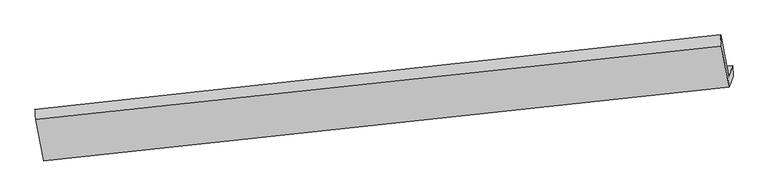
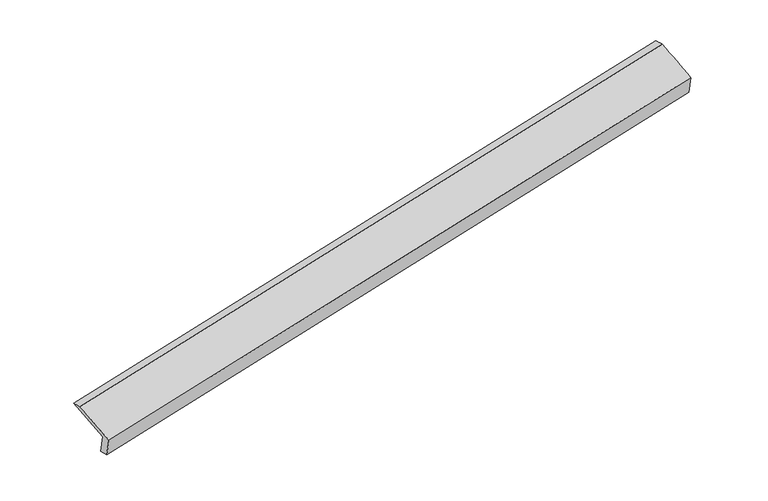
"""IFC4 building model written with IfcOpenShell, lengths in millimetres: proxy geometry."""

import ifcopenshell
import ifcopenshell.guid

model = None  # the IFC model being written
_history = None  # IfcOwnerHistory: only IFC2X3 demands one
_inside = {}  # id of a spatial element -> (the spatial element, [elements in it])
_under = {}  # id of a project, library or spatial element -> (it, [spatial elements below it])
_declared = {}  # id of a project -> (the project, [libraries it declares])
_typed = {}  # id of a type object -> (the type object, [elements of that type])
_made_of = {}  # id of a material, layer set ... -> (it, [elements and type objects made of it])


def new_model(schema):
    """Start an empty IFC model of exactly this schema.

    Asked for "IFC4X3", IfcOpenShell would pick the latest addendum, in which some entities
    have other attributes; the version numbers below select the first issue.
    IFC2X3 requires an IfcOwnerHistory on every rooted entity: one is made here for all.
    """
    global model, _history
    if schema == "IFC4X3":
        model = ifcopenshell.file(schema_version=(4, 3, 0, 0))
    else:
        model = ifcopenshell.file(schema=schema)
    _inside.clear()
    _under.clear()
    _declared.clear()
    _typed.clear()
    _made_of.clear()
    _history = None
    if model.schema == "IFC2X3":
        org = make("IfcOrganization", Name="unknown")
        user = make(
            "IfcPersonAndOrganization",
            ThePerson=make("IfcPerson", FamilyName="unknown"),
            TheOrganization=org,
        )
        app = make(
            "IfcApplication",
            ApplicationDeveloper=org,
            Version="unknown",
            ApplicationFullName="unknown",
            ApplicationIdentifier="unknown",
        )
        _history = make(
            "IfcOwnerHistory",
            OwningUser=user,
            OwningApplication=app,
            ChangeAction="ADDED",
            CreationDate=0,
        )
    return model


def make(cls, **values):
    """One entity of the class cls with the attributes given. An attribute that is None is left unset."""
    return model.create_entity(
        cls, **{name: value for name, value in values.items() if value is not None}
    )


def rooted(cls, **values):
    """An entity with a GlobalId (a new one), such as an element, a storey or a relation."""
    return make(cls, GlobalId=ifcopenshell.guid.new(), OwnerHistory=_history, **values)


def si_unit(unit_type, name, prefix=None):
    """IfcSIUnit, for example si_unit("LENGTHUNIT", "METRE", prefix="MILLI")."""
    return make("IfcSIUnit", UnitType=unit_type, Prefix=prefix, Name=name)


def assignment(units):
    """IfcUnitAssignment: the units of a project."""
    return None if units is None else make("IfcUnitAssignment", Units=units)


def point(xyz):
    """IfcCartesianPoint."""
    return None if xyz is None else make("IfcCartesianPoint", Coordinates=xyz)


def direction(xyz):
    """IfcDirection."""
    return None if xyz is None else make("IfcDirection", DirectionRatios=xyz)


def frame(location, z_axis=None, x_axis=None):
    """IfcAxis2Placement3D, a coordinate frame: its origin and axes. An axis left out is left unset."""
    return make(
        "IfcAxis2Placement3D",
        Location=point(location),
        Axis=direction(z_axis),
        RefDirection=direction(x_axis),
    )


def origin():
    """The frame at (0, 0, 0) with its axes left unset."""
    return frame((0.0, 0.0, 0.0))


def place(relative_to, where):
    """IfcLocalPlacement: puts the frame where relative to a parent placement (None: the world)."""
    return make(
        "IfcLocalPlacement", PlacementRelTo=relative_to, RelativePlacement=where
    )


def context(
    kind, dimensions, precision=None, world=None, true_north=None, identifier=None
):
    """IfcGeometricRepresentationContext, for example the 3D "Model" context."""
    return make(
        "IfcGeometricRepresentationContext",
        ContextIdentifier=identifier,
        ContextType=kind,
        CoordinateSpaceDimension=dimensions,
        Precision=precision,
        WorldCoordinateSystem=world,
        TrueNorth=true_north,
    )


def project(units=None, contexts=None):
    """IfcProject with its units and contexts."""
    return rooted(
        "IfcProject",
        Name="project",
        RepresentationContexts=contexts,
        UnitsInContext=assignment(units),
    )


def spatial(cls, under=None, at=None, **own):
    """A site, building, storey or space (cls), placed at a placement, below another one or the project."""
    s = rooted(cls, ObjectPlacement=at, **own)
    if under is not None:
        _under.setdefault(under.id(), (under, []))[1].append(s)
    return s


def shape(context_of_items, identifier, shape_type, items):
    """IfcShapeRepresentation: the items that make up one representation, for example the "Body"."""
    return make(
        "IfcShapeRepresentation",
        ContextOfItems=context_of_items,
        RepresentationIdentifier=identifier,
        RepresentationType=shape_type,
        Items=items,
    )


def source(mapping_origin, context_of_items, identifier, shape_type, items):
    """IfcRepresentationMap: a shape defined once, which mapped items show again and again."""
    return make(
        "IfcRepresentationMap",
        MappingOrigin=mapping_origin,
        MappedRepresentation=shape(context_of_items, identifier, shape_type, items),
    )


def transform(
    local_origin,
    x_axis=None,
    y_axis=None,
    z_axis=None,
    scale=None,
    scale2=None,
    scale3=None,
    uniform=True,
):
    """IfcCartesianTransformationOperator3D, or its non-uniform kind. x_axis, y_axis, z_axis: its Axis1, 2, 3."""
    if uniform:
        return make(
            "IfcCartesianTransformationOperator3D",
            Axis1=direction(x_axis),
            Axis2=direction(y_axis),
            LocalOrigin=point(local_origin),
            Scale=scale,
            Axis3=direction(z_axis),
        )
    return make(
        "IfcCartesianTransformationOperator3DnonUniform",
        Axis1=direction(x_axis),
        Axis2=direction(y_axis),
        LocalOrigin=point(local_origin),
        Scale=scale,
        Axis3=direction(z_axis),
        Scale2=scale2,
        Scale3=scale3,
    )


def mapped(mapping_source, mapping_target):
    """IfcMappedItem: shows the shape of a source again, moved by a transform."""
    return make(
        "IfcMappedItem", MappingSource=mapping_source, MappingTarget=mapping_target
    )


def made_of(thing, what):
    """Note that an element or type object is made of a material, layer set ...; save() writes the relation."""
    if what is not None:
        _made_of.setdefault(what.id(), (what, []))[1].append(thing)
    return thing


def element(
    cls,
    number,
    at=None,
    inside=None,
    cuts=None,
    type_object=None,
    material=None,
    context=None,
    identifier="Body",
    shape_type=None,
    held_by="IfcProductDefinitionShape",
    body=None,
    shapes=None,
    **own,
):
    """One element of the class cls, such as IfcWall. Its Tag is "e" and its number.

    at: its placement. inside: the storey or other place that contains it. cuts: it is an
    opening in that element (IfcRelVoidsElement). A single representation is given by context,
    identifier, shape_type and body (its items); several are given by shapes. held_by: the class
    of the entity that holds the representations. save() writes the other relations.
    """
    e = rooted(cls, Tag="e%d" % number, ObjectPlacement=at, **own)
    if body is not None:
        shapes = [shape(context, identifier, shape_type, body)]
    if shapes is not None:
        e.Representation = make(held_by, Representations=shapes)
    if inside is not None:
        _inside.setdefault(inside.id(), (inside, []))[1].append(e)
    if cuts is not None:
        rooted(
            "IfcRelVoidsElement", RelatingBuildingElement=cuts, RelatedOpeningElement=e
        )
    if type_object is not None:
        _typed.setdefault(type_object.id(), (type_object, []))[1].append(e)
    return made_of(e, material)


def aggregate(whole, parts):
    """IfcRelAggregates: a whole, such as a stair, and the parts it consists of."""
    return rooted("IfcRelAggregates", RelatingObject=whole, RelatedObjects=parts)


def save(model, path):
    """Write the relations noted so far, then the file.

    IfcRelAggregates (storeys below a building ...), IfcRelContainedInSpatialStructure (elements
    in a storey), IfcRelDefinesByType, IfcRelAssociatesMaterial and IfcRelDeclares: one each for
    every whole, place, type object, material and project.
    """
    for whole, parts in _under.values():
        aggregate(whole, parts)
    for where, things in _inside.values():
        rooted(
            "IfcRelContainedInSpatialStructure",
            RelatedElements=things,
            RelatingStructure=where,
        )
    for kind, things in _typed.values():
        rooted("IfcRelDefinesByType", RelatedObjects=things, RelatingType=kind)
    for what, things in _made_of.values():
        rooted("IfcRelAssociatesMaterial", RelatedObjects=things, RelatingMaterial=what)
    for by, libraries in _declared.values():
        rooted("IfcRelDeclares", RelatingContext=by, RelatedDefinitions=libraries)
    model.write(path)


def plane_surface(at):
    """IfcPlane: the flat surface through the origin of the frame at, square to its z axis."""
    return make("IfcPlane", Position=at)


def spline_surface(u_degree, v_degree, points, u_multiplicities, v_multiplicities, u_knots, v_knots, weights=None):
    """IfcBSplineSurfaceWithKnots; with weights, IfcRationalBSplineSurfaceWithKnots. points: one row for each step in u."""
    own = dict(
        UDegree=u_degree,
        VDegree=v_degree,
        ControlPointsList=[[point(p) for p in row] for row in points],
        SurfaceForm="UNSPECIFIED",
        UClosed=False,
        VClosed=False,
        SelfIntersect=False,
        UMultiplicities=u_multiplicities,
        VMultiplicities=v_multiplicities,
        UKnots=u_knots,
        VKnots=v_knots,
        KnotSpec="UNSPECIFIED",
    )
    if weights is None:
        return make("IfcBSplineSurfaceWithKnots", **own)
    return make("IfcRationalBSplineSurfaceWithKnots", WeightsData=weights, **own)


def advanced_brep(points, edges, surfaces, faces):
    """IfcAdvancedBrep: a solid bounded by faces that lie on surfaces and meet in shared edges.

    An edge is (start, end): straight between two places in points (the first is 0);
    or (start, end, curve); or (start, end, curve, False) where it runs against its curve.
    A face is (place in surfaces, loops), or (place, loops, False) where it looks against
    its surface's normal. A loop lists edges by number (the first is 1), with a minus sign
    where the edge is run from its end to its start. The first loop is the outer one.
    """
    corners = [point(p) for p in points]
    vertices = [make("IfcVertexPoint", VertexGeometry=c) for c in corners]
    made = []
    for start, end, *more in edges:
        made.append(
            make(
                "IfcEdgeCurve",
                EdgeStart=vertices[start],
                EdgeEnd=vertices[end],
                EdgeGeometry=more[0] if more else make("IfcPolyline", Points=[corners[start], corners[end]]),
                SameSense=more[1] if len(more) > 1 else True,
            )
        )
    hull = []
    for where, loops, *sense in faces:
        bounds = []
        for j, loop in enumerate(loops):
            ring = [make("IfcOrientedEdge", EdgeElement=made[abs(k) - 1], Orientation=k > 0) for k in loop]
            bounds.append(
                make(
                    "IfcFaceOuterBound" if j == 0 else "IfcFaceBound",
                    Bound=make("IfcEdgeLoop", EdgeList=ring),
                    Orientation=True,
                )
            )
        hull.append(make("IfcAdvancedFace", Bounds=bounds, FaceSurface=surfaces[where], SameSense=sense[0] if sense else True))
    return make("IfcAdvancedBrep", Outer=make("IfcClosedShell", CfsFaces=hull))


def generic_models_38e0acc2(model_context):
    return source(origin(), model_context, "Body", "AdvancedBrep", [
        advanced_brep(
        [(-8451.0643832, -2145.9148865, 401.4067538), (-8514.2501002, -2325.8227017, 812.2241419), (2827.4860423, -1091.4108541, 3086.9464353), (2889.9742112, -913.4891578, 2680.6643265), (-8439.5772385, -2314.4147967, 437.176735), (2899.4958057, -1086.0235953, 2725.3898494), (-8502.1842018, -2492.6747343, 844.231214), (2836.1912944, -1266.2696519, 3136.9796077), (-8635.4338622, -1805.0934189, 1124.846836), (2707.6926698, -587.4754845, 3414.4778373), (-8647.6631565, -1637.3982482, 1093.1838654), (2697.1017569, -402.6556805, 3368.5168295)],
        [
            (0, 1),
            (1, 2),
            (2, 3),
            (3, 0),
            (4, 0),
            (3, 5),
            (5, 4),
            (6, 4),
            (5, 7),
            (7, 6),
            (8, 6),
            (7, 9),
            (9, 8),
            (10, 8),
            (9, 11),
            (11, 10),
            (1, 10),
            (11, 2),
        ],
        [
            plane_surface(frame((-8482.6572417, -2235.8687941, 606.8154479), z_axis=(-0.17391961909756332, 0.911603675722533, 0.3724657091627705), x_axis=(-0.13950961308460896, -0.39722378526486857, 0.9070558595129807))),
            spline_surface(1, 1, [[(-8439.5772385, -2314.4147967, 437.176735), (2899.4958057, -1086.0235953, 2725.3898494)], [(-8451.0643832, -2145.9148865, 401.4067538), (2889.9742112, -913.4891578, 2680.6643265)]], [2, 2], [2, 2], [0.0, 1.0], [0.0, 1.0]),
            plane_surface(frame((-8470.8807201, -2403.5447655, 640.7039745), z_axis=(0.1739195847382899, -0.9116036794513243, -0.37246571608037726), x_axis=(0.1395096130845492, 0.3972237852649014, -0.9070558595129756))),
            spline_surface(1, 1, [[(-8635.4338622, -1805.0934189, 1124.846836), (2707.6926698, -587.4754845, 3414.4778373)], [(-8502.1842018, -2492.6747343, 844.231214), (2836.1912944, -1266.2696519, 3136.9796077)]], [2, 2], [2, 2], [0.0, 1.0], [0.0, 1.0]),
            spline_surface(1, 1, [[(-8647.6631565, -1637.3982482, 1093.1838654), (2697.1017569, -402.6556805, 3368.5168295)], [(-8635.4338622, -1805.0934189, 1124.846836), (2707.6926698, -587.4754845, 3414.4778373)]], [2, 2], [2, 2], [0.0, 1.0], [0.0, 1.0]),
            spline_surface(1, 1, [[(-8514.2501002, -2325.8227017, 812.2241419), (2827.4860423, -1091.4108541, 3086.9464353)], [(-8647.6631565, -1637.3982482, 1093.1838654), (2697.1017569, -402.6556805, 3368.5168295)]], [2, 2], [2, 2], [0.0, 1.0], [0.0, 1.0]),
            plane_surface(frame((2809.6569634, -891.2207373, 3068.8291476), z_axis=(0.9750626575206623, 0.10455590266580084, 0.19575718920765967), x_axis=(0.1725974558495605, -0.9117463066213086, -0.3727315261641573))),
            plane_surface(frame((-8531.6954904, -2120.2197977, 785.511591), z_axis=(-0.9743444456804362, -0.10830539728964242, -0.19728872773074574), x_axis=(0.139509613084621, 0.3972237852648649, -0.9070558595129805))),
        ],
        [
            (0, [[1, 2, 3, 4]]),
            (1, [[5, -4, 6, 7]]),
            (2, [[8, -7, 9, 10]]),
            (3, [[11, -10, 12, 13]]),
            (4, [[14, -13, 15, 16]]),
            (5, [[17, -16, 18, -2]]),
            (6, [[-12, -9, -6, -3, -18, -15]]),
            (7, [[-1, -5, -8, -11, -14, -17]]),
        ],
    ),
    ])


if __name__ == "__main__":
    model = new_model("IFC4")
    model_context = context("Model", 3, world=origin())
    ifc_project = project(units=[si_unit("LENGTHUNIT", "METRE", prefix="MILLI")], contexts=[model_context])
    site = spatial("IfcSite", under=ifc_project)
    building = spatial("IfcBuilding", under=site)
    placement = place(None, origin())
    generic_models_shape = generic_models_38e0acc2(model_context)
    element("IfcBuildingElementProxy", 1, Name="Generic Models", at=placement, inside=building, context=model_context, shape_type="MappedRepresentation", body=[
        mapped(generic_models_shape, transform((0.0, 0.0, 0.0), x_axis=(1.0, 0.0, 0.0), y_axis=(0.0, 1.0, 0.0), z_axis=(0.0, 0.0, 1.0))),
    ])
    save(model, "model.ifc")
